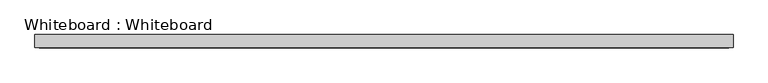
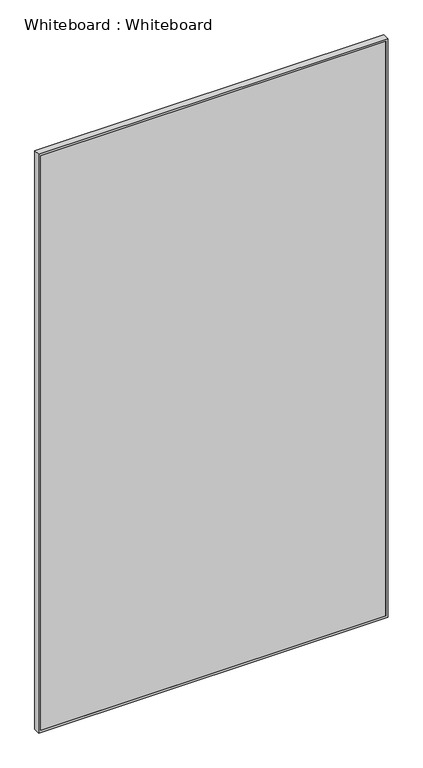
"""IFC4 building model written with IfcOpenShell, lengths in millimetres: proxy geometry, Whiteboard : Whiteboard."""

from ifc_helpers import new_model, si_unit, frame, origin, place, context, project, spatial, polyline, outline, extrude, source, transform, mapped, element, save


def whiteboard_whiteboard_1c61371f(model_context):
    return source(origin(), model_context, "Body", "SweptSolid", [
        extrude(outline(polyline([(2800.0, 800.0), (2800.0, -800.0), (0.0, -800.0), (0.0, 800.0), (2800.0, 800.0)]), holes=[polyline([(10.0, 790.0), (10.0, -790.0), (2790.0, -790.0), (2790.0, 790.0), (10.0, 790.0)])]), frame((0.0, -30.0, 0.0), z_axis=(0.0, 1.0, 0.0), x_axis=(0.0, 0.0, 1.0)), (0.0, 0.0, 1.0), 30.0),
        extrude(outline(polyline([(790.0, -30.0), (-790.0, -30.0), (-790.0, 0.0), (790.0, 0.0), (790.0, -30.0)])), frame((0.0, 0.0, 10.0), z_axis=(0.0, 0.0, 1.0), x_axis=(1.0, 0.0, 0.0)), (0.0, 0.0, 1.0), 2780.0),
    ])


if __name__ == "__main__":
    model = new_model("IFC4")
    model_context = context("Model", 3, world=origin())
    ifc_project = project(units=[si_unit("LENGTHUNIT", "METRE", prefix="MILLI")], contexts=[model_context])
    site = spatial("IfcSite", under=ifc_project)
    building = spatial("IfcBuilding", under=site)
    placement = place(None, origin())
    whiteboard_whiteboard_shape = whiteboard_whiteboard_1c61371f(model_context)
    element("IfcBuildingElementProxy", 1, Name="Whiteboard : Whiteboard", ObjectType="Whiteboard : Whiteboard", at=placement, inside=building, context=model_context, shape_type="MappedRepresentation", body=[
        mapped(whiteboard_whiteboard_shape, transform((0.0, 0.0, 0.0), x_axis=(1.0, 0.0, 0.0), y_axis=(0.0, 1.0, 0.0), z_axis=(0.0, 0.0, 1.0))),
    ])
    save(model, "model.ifc")
